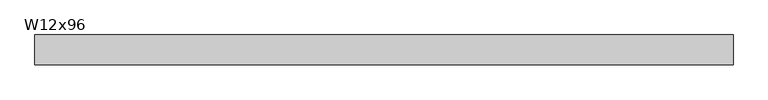
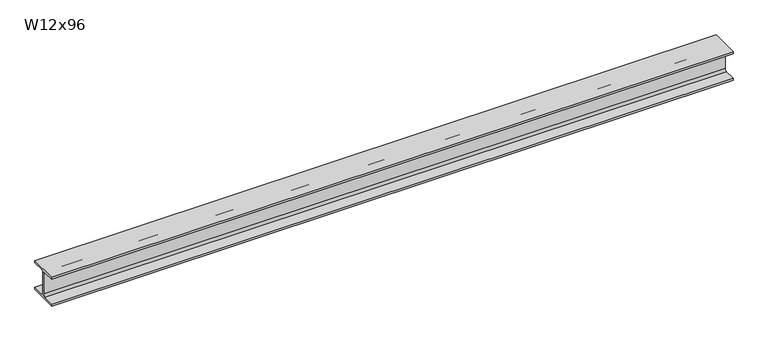
"""IFC4 building model written with IfcOpenShell, lengths in millimetres: beam geometry, W12x96."""

import ifcopenshell
import ifcopenshell.guid

model = None  # the IFC model being written
_history = None  # IfcOwnerHistory: only IFC2X3 demands one
_inside = {}  # id of a spatial element -> (the spatial element, [elements in it])
_under = {}  # id of a project, library or spatial element -> (it, [spatial elements below it])
_declared = {}  # id of a project -> (the project, [libraries it declares])
_typed = {}  # id of a type object -> (the type object, [elements of that type])
_made_of = {}  # id of a material, layer set ... -> (it, [elements and type objects made of it])


def new_model(schema):
    """Start an empty IFC model of exactly this schema.

    Asked for "IFC4X3", IfcOpenShell would pick the latest addendum, in which some entities
    have other attributes; the version numbers below select the first issue.
    IFC2X3 requires an IfcOwnerHistory on every rooted entity: one is made here for all.
    """
    global model, _history
    if schema == "IFC4X3":
        model = ifcopenshell.file(schema_version=(4, 3, 0, 0))
    else:
        model = ifcopenshell.file(schema=schema)
    _inside.clear()
    _under.clear()
    _declared.clear()
    _typed.clear()
    _made_of.clear()
    _history = None
    if model.schema == "IFC2X3":
        org = make("IfcOrganization", Name="unknown")
        user = make(
            "IfcPersonAndOrganization",
            ThePerson=make("IfcPerson", FamilyName="unknown"),
            TheOrganization=org,
        )
        app = make(
            "IfcApplication",
            ApplicationDeveloper=org,
            Version="unknown",
            ApplicationFullName="unknown",
            ApplicationIdentifier="unknown",
        )
        _history = make(
            "IfcOwnerHistory",
            OwningUser=user,
            OwningApplication=app,
            ChangeAction="ADDED",
            CreationDate=0,
        )
    return model


def make(cls, **values):
    """One entity of the class cls with the attributes given. An attribute that is None is left unset."""
    return model.create_entity(
        cls, **{name: value for name, value in values.items() if value is not None}
    )


def rooted(cls, **values):
    """An entity with a GlobalId (a new one), such as an element, a storey or a relation."""
    return make(cls, GlobalId=ifcopenshell.guid.new(), OwnerHistory=_history, **values)


def si_unit(unit_type, name, prefix=None):
    """IfcSIUnit, for example si_unit("LENGTHUNIT", "METRE", prefix="MILLI")."""
    return make("IfcSIUnit", UnitType=unit_type, Prefix=prefix, Name=name)


def assignment(units):
    """IfcUnitAssignment: the units of a project."""
    return None if units is None else make("IfcUnitAssignment", Units=units)


def point(xyz):
    """IfcCartesianPoint."""
    return None if xyz is None else make("IfcCartesianPoint", Coordinates=xyz)


def direction(xyz):
    """IfcDirection."""
    return None if xyz is None else make("IfcDirection", DirectionRatios=xyz)


def frame(location, z_axis=None, x_axis=None):
    """IfcAxis2Placement3D, a coordinate frame: its origin and axes. An axis left out is left unset."""
    return make(
        "IfcAxis2Placement3D",
        Location=point(location),
        Axis=direction(z_axis),
        RefDirection=direction(x_axis),
    )


def frame_2d(location, x_axis=None):
    """IfcAxis2Placement2D, a coordinate frame in the plane: its origin and x axis."""
    return make(
        "IfcAxis2Placement2D", Location=point(location), RefDirection=direction(x_axis)
    )


def origin():
    """The frame at (0, 0, 0) with its axes left unset."""
    return frame((0.0, 0.0, 0.0))


def place(relative_to, where):
    """IfcLocalPlacement: puts the frame where relative to a parent placement (None: the world)."""
    return make(
        "IfcLocalPlacement", PlacementRelTo=relative_to, RelativePlacement=where
    )


def context(
    kind, dimensions, precision=None, world=None, true_north=None, identifier=None
):
    """IfcGeometricRepresentationContext, for example the 3D "Model" context."""
    return make(
        "IfcGeometricRepresentationContext",
        ContextIdentifier=identifier,
        ContextType=kind,
        CoordinateSpaceDimension=dimensions,
        Precision=precision,
        WorldCoordinateSystem=world,
        TrueNorth=true_north,
    )


def project(units=None, contexts=None):
    """IfcProject with its units and contexts."""
    return rooted(
        "IfcProject",
        Name="project",
        RepresentationContexts=contexts,
        UnitsInContext=assignment(units),
    )


def spatial(cls, under=None, at=None, **own):
    """A site, building, storey or space (cls), placed at a placement, below another one or the project."""
    s = rooted(cls, ObjectPlacement=at, **own)
    if under is not None:
        _under.setdefault(under.id(), (under, []))[1].append(s)
    return s


def polyline(points):
    """IfcPolyline through the points."""
    return make("IfcPolyline", Points=[point(p) for p in points])


def circle_curve(where, radius):
    """IfcCircle in the frame where."""
    return make("IfcCircle", Position=where, Radius=radius)


def trimmed(basis, trim1, trim2, sense, master):
    """IfcTrimmedCurve: the piece of a basis curve between two trims."""
    return make(
        "IfcTrimmedCurve",
        BasisCurve=basis,
        Trim1=trim1,
        Trim2=trim2,
        SenseAgreement=sense,
        MasterRepresentation=master,
    )


def segment(curve, same_sense, transition):
    """IfcCompositeCurveSegment."""
    return make(
        "IfcCompositeCurveSegment",
        Transition=transition,
        SameSense=same_sense,
        ParentCurve=curve,
    )


def composite_curve(segments, self_intersect=None):
    """IfcCompositeCurve: segments joined end to end."""
    return make("IfcCompositeCurve", Segments=segments, SelfIntersect=self_intersect)


def outline(outer, holes=None, kind="AREA"):
    """IfcArbitraryClosedProfileDef: a profile drawn as a closed curve; with holes, ...WithVoids."""
    if holes is None:
        return make("IfcArbitraryClosedProfileDef", ProfileType=kind, OuterCurve=outer)
    return make(
        "IfcArbitraryProfileDefWithVoids",
        ProfileType=kind,
        OuterCurve=outer,
        InnerCurves=holes,
    )


def extrude(swept, where, along, depth):
    """IfcExtrudedAreaSolid: the profile swept, set in the frame where, extruded along a direction by depth."""
    return make(
        "IfcExtrudedAreaSolid",
        SweptArea=swept,
        Position=where,
        ExtrudedDirection=direction(along),
        Depth=depth,
    )


def shape(context_of_items, identifier, shape_type, items):
    """IfcShapeRepresentation: the items that make up one representation, for example the "Body"."""
    return make(
        "IfcShapeRepresentation",
        ContextOfItems=context_of_items,
        RepresentationIdentifier=identifier,
        RepresentationType=shape_type,
        Items=items,
    )


def source(mapping_origin, context_of_items, identifier, shape_type, items):
    """IfcRepresentationMap: a shape defined once, which mapped items show again and again."""
    return make(
        "IfcRepresentationMap",
        MappingOrigin=mapping_origin,
        MappedRepresentation=shape(context_of_items, identifier, shape_type, items),
    )


def transform(
    local_origin,
    x_axis=None,
    y_axis=None,
    z_axis=None,
    scale=None,
    scale2=None,
    scale3=None,
    uniform=True,
):
    """IfcCartesianTransformationOperator3D, or its non-uniform kind. x_axis, y_axis, z_axis: its Axis1, 2, 3."""
    if uniform:
        return make(
            "IfcCartesianTransformationOperator3D",
            Axis1=direction(x_axis),
            Axis2=direction(y_axis),
            LocalOrigin=point(local_origin),
            Scale=scale,
            Axis3=direction(z_axis),
        )
    return make(
        "IfcCartesianTransformationOperator3DnonUniform",
        Axis1=direction(x_axis),
        Axis2=direction(y_axis),
        LocalOrigin=point(local_origin),
        Scale=scale,
        Axis3=direction(z_axis),
        Scale2=scale2,
        Scale3=scale3,
    )


def mapped(mapping_source, mapping_target):
    """IfcMappedItem: shows the shape of a source again, moved by a transform."""
    return make(
        "IfcMappedItem", MappingSource=mapping_source, MappingTarget=mapping_target
    )


def made_of(thing, what):
    """Note that an element or type object is made of a material, layer set ...; save() writes the relation."""
    if what is not None:
        _made_of.setdefault(what.id(), (what, []))[1].append(thing)
    return thing


def element(
    cls,
    number,
    at=None,
    inside=None,
    cuts=None,
    type_object=None,
    material=None,
    context=None,
    identifier="Body",
    shape_type=None,
    held_by="IfcProductDefinitionShape",
    body=None,
    shapes=None,
    **own,
):
    """One element of the class cls, such as IfcWall. Its Tag is "e" and its number.

    at: its placement. inside: the storey or other place that contains it. cuts: it is an
    opening in that element (IfcRelVoidsElement). A single representation is given by context,
    identifier, shape_type and body (its items); several are given by shapes. held_by: the class
    of the entity that holds the representations. save() writes the other relations.
    """
    e = rooted(cls, Tag="e%d" % number, ObjectPlacement=at, **own)
    if body is not None:
        shapes = [shape(context, identifier, shape_type, body)]
    if shapes is not None:
        e.Representation = make(held_by, Representations=shapes)
    if inside is not None:
        _inside.setdefault(inside.id(), (inside, []))[1].append(e)
    if cuts is not None:
        rooted(
            "IfcRelVoidsElement", RelatingBuildingElement=cuts, RelatedOpeningElement=e
        )
    if type_object is not None:
        _typed.setdefault(type_object.id(), (type_object, []))[1].append(e)
    return made_of(e, material)


def aggregate(whole, parts):
    """IfcRelAggregates: a whole, such as a stair, and the parts it consists of."""
    return rooted("IfcRelAggregates", RelatingObject=whole, RelatedObjects=parts)


def save(model, path):
    """Write the relations noted so far, then the file.

    IfcRelAggregates (storeys below a building ...), IfcRelContainedInSpatialStructure (elements
    in a storey), IfcRelDefinesByType, IfcRelAssociatesMaterial and IfcRelDeclares: one each for
    every whole, place, type object, material and project.
    """
    for whole, parts in _under.values():
        aggregate(whole, parts)
    for where, things in _inside.values():
        rooted(
            "IfcRelContainedInSpatialStructure",
            RelatedElements=things,
            RelatingStructure=where,
        )
    for kind, things in _typed.values():
        rooted("IfcRelDefinesByType", RelatedObjects=things, RelatingType=kind)
    for what, things in _made_of.values():
        rooted("IfcRelAssociatesMaterial", RelatedObjects=things, RelatingMaterial=what)
    for by, libraries in _declared.values():
        rooted("IfcRelDeclares", RelatingContext=by, RelatedDefinitions=libraries)
    model.write(path)


def w12x96_1bb811f8(model_context):
    return source(origin(), model_context, "Body", "SweptSolid", [
        extrude(outline(composite_curve([segment(polyline([(154.94, -138.43), (154.94, -161.29), (-154.94, -161.29), (-154.94, -138.43), (-30.1625, -138.43)]), True, "CONTINUOUS"), segment(trimmed(circle_curve(frame_2d((-30.1625, -115.2525)), 23.1775), [point((-30.1625, -138.43))], [point((-6.985, -115.2525))], True, "CARTESIAN"), True, "CONTINUOUS"), segment(polyline([(-6.985, -115.2525), (-6.985, 115.2525)]), True, "CONTINUOUS"), segment(trimmed(circle_curve(frame_2d((-30.1625, 115.2525)), 23.1775), [point((-6.985, 115.2525))], [point((-30.1625, 138.43))], True, "CARTESIAN"), True, "CONTINUOUS"), segment(polyline([(-30.1625, 138.43), (-154.94, 138.43), (-154.94, 161.29), (154.94, 161.29), (154.94, 138.43), (30.1625, 138.43)]), True, "CONTINUOUS"), segment(trimmed(circle_curve(frame_2d((30.1625, 115.2525)), 23.1775), [point((30.1625, 138.43))], [point((6.985, 115.2525))], True, "CARTESIAN"), True, "CONTINUOUS"), segment(polyline([(6.985, 115.2525), (6.985, -115.2525)]), True, "CONTINUOUS"), segment(trimmed(circle_curve(frame_2d((30.1625, -115.2525)), 23.1775), [point((6.985, -115.2525))], [point((30.1625, -138.43))], True, "CARTESIAN"), True, "CONTINUOUS"), segment(polyline([(30.1625, -138.43), (154.94, -138.43)]), True, "CONTINUOUS")], self_intersect=False)), frame((-3610.6492227, 0.0, 0.0), z_axis=(1.0, 0.0, 0.0), x_axis=(0.0, 1.0, 0.0)), (0.0, 0.0, 1.0), 7221.2984454),
    ])


if __name__ == "__main__":
    model = new_model("IFC4")
    model_context = context("Model", 3, world=origin())
    ifc_project = project(units=[si_unit("LENGTHUNIT", "METRE", prefix="MILLI")], contexts=[model_context])
    site = spatial("IfcSite", under=ifc_project)
    building = spatial("IfcBuilding", under=site)
    placement = place(None, origin())
    w12x96_shape = w12x96_1bb811f8(model_context)
    element("IfcBeam", 1, ObjectType="W12x96", at=placement, inside=building, context=model_context, shape_type="MappedRepresentation", body=[
        mapped(w12x96_shape, transform((0.0, 0.0, 0.0), x_axis=(1.0, 0.0, 0.0), y_axis=(0.0, 1.0, 0.0), z_axis=(0.0, 0.0, 1.0))),
    ])
    save(model, "model.ifc")
